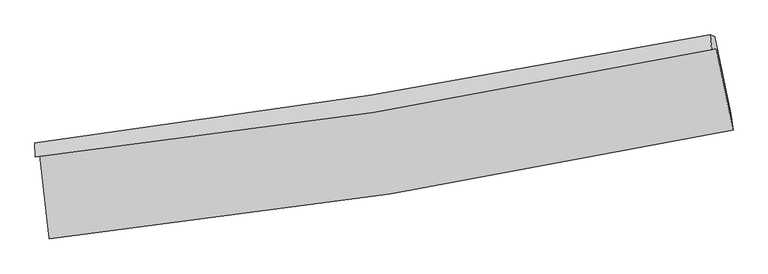
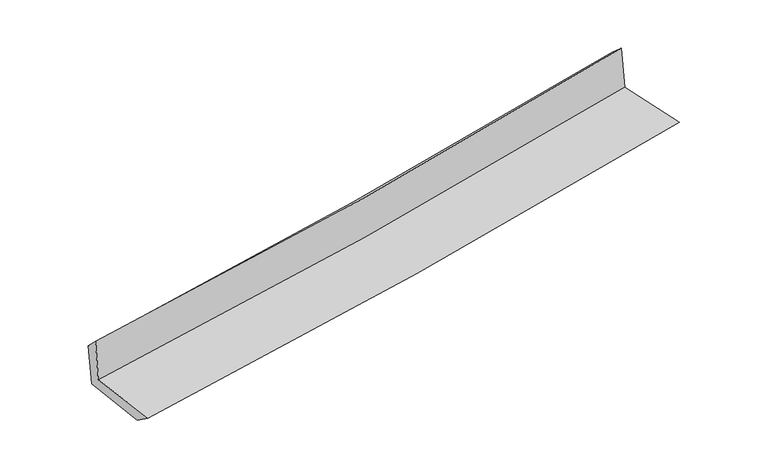
"""IFC4 building model written with IfcOpenShell, lengths in millimetres: proxy geometry."""

import ifcopenshell
import ifcopenshell.guid

model = None  # the IFC model being written
_history = None  # IfcOwnerHistory: only IFC2X3 demands one
_inside = {}  # id of a spatial element -> (the spatial element, [elements in it])
_under = {}  # id of a project, library or spatial element -> (it, [spatial elements below it])
_declared = {}  # id of a project -> (the project, [libraries it declares])
_typed = {}  # id of a type object -> (the type object, [elements of that type])
_made_of = {}  # id of a material, layer set ... -> (it, [elements and type objects made of it])


def new_model(schema):
    """Start an empty IFC model of exactly this schema.

    Asked for "IFC4X3", IfcOpenShell would pick the latest addendum, in which some entities
    have other attributes; the version numbers below select the first issue.
    IFC2X3 requires an IfcOwnerHistory on every rooted entity: one is made here for all.
    """
    global model, _history
    if schema == "IFC4X3":
        model = ifcopenshell.file(schema_version=(4, 3, 0, 0))
    else:
        model = ifcopenshell.file(schema=schema)
    _inside.clear()
    _under.clear()
    _declared.clear()
    _typed.clear()
    _made_of.clear()
    _history = None
    if model.schema == "IFC2X3":
        org = make("IfcOrganization", Name="unknown")
        user = make(
            "IfcPersonAndOrganization",
            ThePerson=make("IfcPerson", FamilyName="unknown"),
            TheOrganization=org,
        )
        app = make(
            "IfcApplication",
            ApplicationDeveloper=org,
            Version="unknown",
            ApplicationFullName="unknown",
            ApplicationIdentifier="unknown",
        )
        _history = make(
            "IfcOwnerHistory",
            OwningUser=user,
            OwningApplication=app,
            ChangeAction="ADDED",
            CreationDate=0,
        )
    return model


def make(cls, **values):
    """One entity of the class cls with the attributes given. An attribute that is None is left unset."""
    return model.create_entity(
        cls, **{name: value for name, value in values.items() if value is not None}
    )


def rooted(cls, **values):
    """An entity with a GlobalId (a new one), such as an element, a storey or a relation."""
    return make(cls, GlobalId=ifcopenshell.guid.new(), OwnerHistory=_history, **values)


def si_unit(unit_type, name, prefix=None):
    """IfcSIUnit, for example si_unit("LENGTHUNIT", "METRE", prefix="MILLI")."""
    return make("IfcSIUnit", UnitType=unit_type, Prefix=prefix, Name=name)


def assignment(units):
    """IfcUnitAssignment: the units of a project."""
    return None if units is None else make("IfcUnitAssignment", Units=units)


def point(xyz):
    """IfcCartesianPoint."""
    return None if xyz is None else make("IfcCartesianPoint", Coordinates=xyz)


def direction(xyz):
    """IfcDirection."""
    return None if xyz is None else make("IfcDirection", DirectionRatios=xyz)


def frame(location, z_axis=None, x_axis=None):
    """IfcAxis2Placement3D, a coordinate frame: its origin and axes. An axis left out is left unset."""
    return make(
        "IfcAxis2Placement3D",
        Location=point(location),
        Axis=direction(z_axis),
        RefDirection=direction(x_axis),
    )


def origin():
    """The frame at (0, 0, 0) with its axes left unset."""
    return frame((0.0, 0.0, 0.0))


def place(relative_to, where):
    """IfcLocalPlacement: puts the frame where relative to a parent placement (None: the world)."""
    return make(
        "IfcLocalPlacement", PlacementRelTo=relative_to, RelativePlacement=where
    )


def context(
    kind, dimensions, precision=None, world=None, true_north=None, identifier=None
):
    """IfcGeometricRepresentationContext, for example the 3D "Model" context."""
    return make(
        "IfcGeometricRepresentationContext",
        ContextIdentifier=identifier,
        ContextType=kind,
        CoordinateSpaceDimension=dimensions,
        Precision=precision,
        WorldCoordinateSystem=world,
        TrueNorth=true_north,
    )


def project(units=None, contexts=None):
    """IfcProject with its units and contexts."""
    return rooted(
        "IfcProject",
        Name="project",
        RepresentationContexts=contexts,
        UnitsInContext=assignment(units),
    )


def spatial(cls, under=None, at=None, **own):
    """A site, building, storey or space (cls), placed at a placement, below another one or the project."""
    s = rooted(cls, ObjectPlacement=at, **own)
    if under is not None:
        _under.setdefault(under.id(), (under, []))[1].append(s)
    return s


def shape(context_of_items, identifier, shape_type, items):
    """IfcShapeRepresentation: the items that make up one representation, for example the "Body"."""
    return make(
        "IfcShapeRepresentation",
        ContextOfItems=context_of_items,
        RepresentationIdentifier=identifier,
        RepresentationType=shape_type,
        Items=items,
    )


def source(mapping_origin, context_of_items, identifier, shape_type, items):
    """IfcRepresentationMap: a shape defined once, which mapped items show again and again."""
    return make(
        "IfcRepresentationMap",
        MappingOrigin=mapping_origin,
        MappedRepresentation=shape(context_of_items, identifier, shape_type, items),
    )


def transform(
    local_origin,
    x_axis=None,
    y_axis=None,
    z_axis=None,
    scale=None,
    scale2=None,
    scale3=None,
    uniform=True,
):
    """IfcCartesianTransformationOperator3D, or its non-uniform kind. x_axis, y_axis, z_axis: its Axis1, 2, 3."""
    if uniform:
        return make(
            "IfcCartesianTransformationOperator3D",
            Axis1=direction(x_axis),
            Axis2=direction(y_axis),
            LocalOrigin=point(local_origin),
            Scale=scale,
            Axis3=direction(z_axis),
        )
    return make(
        "IfcCartesianTransformationOperator3DnonUniform",
        Axis1=direction(x_axis),
        Axis2=direction(y_axis),
        LocalOrigin=point(local_origin),
        Scale=scale,
        Axis3=direction(z_axis),
        Scale2=scale2,
        Scale3=scale3,
    )


def mapped(mapping_source, mapping_target):
    """IfcMappedItem: shows the shape of a source again, moved by a transform."""
    return make(
        "IfcMappedItem", MappingSource=mapping_source, MappingTarget=mapping_target
    )


def made_of(thing, what):
    """Note that an element or type object is made of a material, layer set ...; save() writes the relation."""
    if what is not None:
        _made_of.setdefault(what.id(), (what, []))[1].append(thing)
    return thing


def element(
    cls,
    number,
    at=None,
    inside=None,
    cuts=None,
    type_object=None,
    material=None,
    context=None,
    identifier="Body",
    shape_type=None,
    held_by="IfcProductDefinitionShape",
    body=None,
    shapes=None,
    **own,
):
    """One element of the class cls, such as IfcWall. Its Tag is "e" and its number.

    at: its placement. inside: the storey or other place that contains it. cuts: it is an
    opening in that element (IfcRelVoidsElement). A single representation is given by context,
    identifier, shape_type and body (its items); several are given by shapes. held_by: the class
    of the entity that holds the representations. save() writes the other relations.
    """
    e = rooted(cls, Tag="e%d" % number, ObjectPlacement=at, **own)
    if body is not None:
        shapes = [shape(context, identifier, shape_type, body)]
    if shapes is not None:
        e.Representation = make(held_by, Representations=shapes)
    if inside is not None:
        _inside.setdefault(inside.id(), (inside, []))[1].append(e)
    if cuts is not None:
        rooted(
            "IfcRelVoidsElement", RelatingBuildingElement=cuts, RelatedOpeningElement=e
        )
    if type_object is not None:
        _typed.setdefault(type_object.id(), (type_object, []))[1].append(e)
    return made_of(e, material)


def aggregate(whole, parts):
    """IfcRelAggregates: a whole, such as a stair, and the parts it consists of."""
    return rooted("IfcRelAggregates", RelatingObject=whole, RelatedObjects=parts)


def save(model, path):
    """Write the relations noted so far, then the file.

    IfcRelAggregates (storeys below a building ...), IfcRelContainedInSpatialStructure (elements
    in a storey), IfcRelDefinesByType, IfcRelAssociatesMaterial and IfcRelDeclares: one each for
    every whole, place, type object, material and project.
    """
    for whole, parts in _under.values():
        aggregate(whole, parts)
    for where, things in _inside.values():
        rooted(
            "IfcRelContainedInSpatialStructure",
            RelatedElements=things,
            RelatingStructure=where,
        )
    for kind, things in _typed.values():
        rooted("IfcRelDefinesByType", RelatedObjects=things, RelatingType=kind)
    for what, things in _made_of.values():
        rooted("IfcRelAssociatesMaterial", RelatedObjects=things, RelatingMaterial=what)
    for by, libraries in _declared.values():
        rooted("IfcRelDeclares", RelatingContext=by, RelatedDefinitions=libraries)
    model.write(path)


def plane_surface(at):
    """IfcPlane: the flat surface through the origin of the frame at, square to its z axis."""
    return make("IfcPlane", Position=at)


def spline_curve(degree, points, multiplicities, knots, weights=None):
    """IfcBSplineCurveWithKnots; with weights, IfcRationalBSplineCurveWithKnots."""
    own = dict(
        Degree=degree,
        ControlPointsList=[point(p) for p in points],
        CurveForm="UNSPECIFIED",
        ClosedCurve=False,
        SelfIntersect=False,
        KnotMultiplicities=multiplicities,
        Knots=knots,
        KnotSpec="UNSPECIFIED",
    )
    if weights is None:
        return make("IfcBSplineCurveWithKnots", **own)
    return make("IfcRationalBSplineCurveWithKnots", WeightsData=weights, **own)


def spline_surface(u_degree, v_degree, points, u_multiplicities, v_multiplicities, u_knots, v_knots, weights=None):
    """IfcBSplineSurfaceWithKnots; with weights, IfcRationalBSplineSurfaceWithKnots. points: one row for each step in u."""
    own = dict(
        UDegree=u_degree,
        VDegree=v_degree,
        ControlPointsList=[[point(p) for p in row] for row in points],
        SurfaceForm="UNSPECIFIED",
        UClosed=False,
        VClosed=False,
        SelfIntersect=False,
        UMultiplicities=u_multiplicities,
        VMultiplicities=v_multiplicities,
        UKnots=u_knots,
        VKnots=v_knots,
        KnotSpec="UNSPECIFIED",
    )
    if weights is None:
        return make("IfcBSplineSurfaceWithKnots", **own)
    return make("IfcRationalBSplineSurfaceWithKnots", WeightsData=weights, **own)


def advanced_brep(points, edges, surfaces, faces):
    """IfcAdvancedBrep: a solid bounded by faces that lie on surfaces and meet in shared edges.

    An edge is (start, end): straight between two places in points (the first is 0);
    or (start, end, curve); or (start, end, curve, False) where it runs against its curve.
    A face is (place in surfaces, loops), or (place, loops, False) where it looks against
    its surface's normal. A loop lists edges by number (the first is 1), with a minus sign
    where the edge is run from its end to its start. The first loop is the outer one.
    """
    corners = [point(p) for p in points]
    vertices = [make("IfcVertexPoint", VertexGeometry=c) for c in corners]
    made = []
    for start, end, *more in edges:
        made.append(
            make(
                "IfcEdgeCurve",
                EdgeStart=vertices[start],
                EdgeEnd=vertices[end],
                EdgeGeometry=more[0] if more else make("IfcPolyline", Points=[corners[start], corners[end]]),
                SameSense=more[1] if len(more) > 1 else True,
            )
        )
    hull = []
    for where, loops, *sense in faces:
        bounds = []
        for j, loop in enumerate(loops):
            ring = [make("IfcOrientedEdge", EdgeElement=made[abs(k) - 1], Orientation=k > 0) for k in loop]
            bounds.append(
                make(
                    "IfcFaceOuterBound" if j == 0 else "IfcFaceBound",
                    Bound=make("IfcEdgeLoop", EdgeList=ring),
                    Orientation=True,
                )
            )
        hull.append(make("IfcAdvancedFace", Bounds=bounds, FaceSurface=surfaces[where], SameSense=sense[0] if sense else True))
    return make("IfcAdvancedBrep", Outer=make("IfcClosedShell", CfsFaces=hull))


def generic_models_4b9fc950(model_context):
    return source(origin(), model_context, "Body", "AdvancedBrep", [
        advanced_brep(
        [(-2783.9384804, -1893.7347927, 1631.8338925), (-2706.7777165, -2580.4104655, 1634.5746037), (2872.9132504, -1691.1217193, 2127.1447449), (2735.8087331, -1025.0903346, 2123.4022488), (-2820.028636, -1910.5899347, 2045.7362512), (2699.7292791, -1035.2805256, 2533.9636372), (-2822.2226651, -1796.644314, 1929.6874518), (2684.5780549, -913.269393, 2426.1268566), (-2786.1967207, -1793.1999599, 1532.9563432), (2724.776738, -929.3844794, 2029.6464104), (-2714.4258918, -2418.1553149, 1518.612698), (2854.6119213, -1557.3122241, 2026.9983627)],
        [
            (0, 1),
            (1, 2, spline_curve(3, [(-2706.7777165, -2580.4104655, 1634.5746037), (-1776.120429329, -2481.461891151, 1728.518416182), (-848.568731366, -2358.465765642, 1816.330065749), (1011.403145787, -2062.616066439, 1980.667984156), (1943.748436837, -1889.182609937, 2057.046381213), (2872.9132504, -1691.1217193, 2127.1447449)], [4, 2, 4], [0.0, 9.200983055696828, 18.512241611248882])),
            (2, 3),
            (3, 0, spline_curve(3, [(2735.8087331, -1025.0903346, 2123.4022488), (1817.088018708, -1215.04032044, 2045.011172716), (894.988673455, -1382.701567974, 1964.595598332), (-945.006618476, -1671.724905235, 1800.691810503), (-1862.823010754, -1793.611810087, 1717.251265929), (-2783.9384804, -1893.7347927, 1631.8338925)], [4, 2, 4], [0.0, 9.311258555552055, 18.512241611248882])),
            (4, 0),
            (3, 5),
            (5, 4, spline_curve(3, [(2699.7292791, -1035.2805256, 2533.9636372), (1781.868415654, -1231.832755586, 2457.211861413), (860.195532364, -1403.337510485, 2377.892795563), (-979.813531349, -1694.517539735, 2215.089883866), (-1898.059953128, -1814.782588344, 2131.666487434), (-2820.028636, -1910.5899347, 2045.7362512)], [4, 2, 4], [0.0, 9.260513648711456, 18.411352781842105])),
            (6, 4),
            (5, 7),
            (7, 6, spline_curve(3, [(2684.5780549, -913.269393, 2426.1268566), (1766.79984342, -1094.41879672, 2344.637937533), (846.26070853, -1258.948172183, 2262.271897303), (-989.404540765, -1553.015140242, 2096.771442908), (-1904.465646056, -1682.944071723, 2013.657681566), (-2822.2226651, -1796.644314, 1929.6874518)], [4, 2, 4], [0.0, 9.251457900745843, 18.39334853533667])),
            (8, 6),
            (7, 9),
            (9, 8, spline_curve(3, [(2724.776738, -929.3844794, 2029.6464104), (1807.047188153, -1113.977509264, 1948.05331437), (886.180355637, -1278.569010892, 1865.614357454), (-950.884668161, -1566.036543882, 1700.031084897), (-1867.008988682, -1689.383535546, 1616.906685862), (-2786.1967207, -1793.1999599, 1532.9563432)], [4, 2, 4], [0.0, 9.242830475477344, 18.37619586149558])),
            (10, 8),
            (9, 11),
            (11, 10, spline_curve(3, [(2854.6119213, -1557.3122241, 2026.9983627), (1927.750304143, -1747.883045067, 1940.776756591), (997.448122506, -1915.194978918, 1855.051051166), (-858.978827249, -2201.595016614, 1685.600839539), (-1785.022583402, -2321.230779797, 1601.864656475), (-2714.4258918, -2418.1553149, 1518.612698)], [4, 2, 4], [0.0, 9.292167284157555, 18.474285171030587])),
            (1, 10),
            (11, 2),
        ],
        [
            spline_surface(3, 3, [[(-2783.9384804, -1893.7347927, 1631.8338925), (-1862.823010904, -1793.611810175, 1717.251266012), (-945.006618429, -1671.724905152, 1800.691810391), (894.988673407, -1382.701568058, 1964.595598445), (1817.088018765, -1215.040320412, 2045.011172849), (2735.8087331, -1025.0903346, 2123.4022488)], [(-2758.218225764, -2122.626683635, 1632.747462881), (-1833.922150402, -2022.895170462, 1721.006982696), (-912.860656083, -1900.638525285, 1805.904562229), (933.793497539, -1609.339734228, 1969.953060317), (1859.308158099, -1439.754416954, 2049.022909006), (2781.510238868, -1247.100796187, 2124.649747498)], [(-2732.497971136, -2351.518574565, 1633.661033319), (-1805.021289906, -2252.178530743, 1724.762699435), (-880.714693733, -2129.5521454, 1811.117314036), (972.598321676, -1835.97790038, 1975.310522158), (1901.528297428, -1664.468513435, 2053.034645168), (2827.211744632, -1469.111257713, 2125.897246202)], [(-2706.7777165, -2580.4104655, 1634.5746037), (-1776.120429403, -2481.46189103, 1728.518416119), (-848.568731388, -2358.465765532, 1816.330065874), (1011.403145809, -2062.61606655, 1980.66798403), (1943.748436761, -1889.182609976, 2057.046381325), (2872.9132504, -1691.1217193, 2127.1447449)]], [4, 4], [4, 2, 4], [0.0, 2.2694405704641474], [0.0, 9.200983055696828, 18.512241611248882]),
            spline_surface(3, 3, [[(-2820.028636, -1910.5899347, 2045.7362512), (-1898.059953067, -1814.782588232, 2131.666487522), (-979.813531343, -1694.517539885, 2215.089883734), (860.195532359, -1403.337510333, 2377.892795697), (1781.868415681, -1231.832755615, 2457.211861537), (2699.7292791, -1035.2805256, 2533.9636372)], [(-2807.998584135, -1904.971554044, 1907.768798302), (-1886.314305681, -1807.725662223, 1993.528080354), (-968.211227016, -1686.919994972, 2076.957192621), (871.793246064, -1396.458862906, 2240.127063282), (1793.60828338, -1226.235277193, 2319.811631994), (2711.755763771, -1031.883795245, 2397.109841086)], [(-2795.968532265, -1899.353173356, 1769.801345398), (-1874.56865829, -1800.668736184, 1855.389673181), (-956.608922757, -1679.322450065, 1938.824501504), (883.390959701, -1389.580215485, 2102.361330861), (1805.348151065, -1220.637798835, 2182.411402392), (2723.782248429, -1028.487064955, 2260.256044914)], [(-2783.9384804, -1893.7347927, 1631.8338925), (-1862.823010904, -1793.611810175, 1717.251266012), (-945.006618429, -1671.724905152, 1800.691810391), (894.988673407, -1382.701568058, 1964.595598445), (1817.088018765, -1215.040320412, 2045.011172849), (2735.8087331, -1025.0903346, 2123.4022488)]], [4, 4], [4, 2, 4], [0.0, 1.3643970198511284], [0.0, 9.15083913313065, 18.411352781842105]),
            spline_surface(3, 3, [[(-2822.2226651, -1796.644314, 1929.6874518), (-1904.465645955, -1682.944071812, 2013.657681548), (-989.404540776, -1553.015140266, 2096.771442862), (846.26070854, -1258.948172159, 2262.27189735), (1766.799843369, -1094.418796736, 2344.637937654), (2684.5780549, -913.269393, 2426.1268566)], [(-2821.491322075, -1834.626187553, 1968.370384929), (-1902.330415001, -1726.890243938, 2052.993950201), (-986.207537628, -1600.182606792, 2136.210923148), (850.905649816, -1307.077951537, 2300.812196795), (1771.822700796, -1140.223449713, 2382.162578926), (2689.628462956, -953.939770551, 2462.072450111)], [(-2820.759979025, -1872.608061147, 2007.053318071), (-1900.195184022, -1770.836416106, 2092.330218869), (-983.010534491, -1647.350073358, 2175.650403447), (855.550591083, -1355.207730955, 2339.352496252), (1776.845558254, -1186.028102638, 2419.687220265), (2694.678871044, -994.610148049, 2498.018043689)], [(-2820.028636, -1910.5899347, 2045.7362512), (-1898.059953067, -1814.782588232, 2131.666487522), (-979.813531343, -1694.517539885, 2215.089883734), (860.195532359, -1403.337510333, 2377.892795697), (1781.868415681, -1231.832755615, 2457.211861537), (2699.7292791, -1035.2805256, 2533.9636372)]], [4, 4], [4, 2, 4], [0.0, 0.6072236487276814], [0.0, 9.141890634590828, 18.39334853533667]),
            spline_surface(3, 3, [[(-2786.1967207, -1793.1999599, 1532.9563432), (-1867.00898882, -1689.383535689, 1616.90668594), (-950.884668286, -1566.036543908, 1700.031084894), (886.180355763, -1278.569010865, 1865.614357456), (1807.047188142, -1113.977509154, 1948.053314226), (2724.776738, -929.3844794, 2029.6464104)], [(-2798.205368818, -1794.348077937, 1665.200046081), (-1879.494541183, -1687.237047734, 1749.157017824), (-963.724625807, -1561.696076047, 1832.277870885), (872.873806664, -1272.028731316, 1997.833537422), (1793.631406569, -1107.457938341, 2080.248188703), (2711.377176984, -924.012783926, 2161.806559135)], [(-2810.214016982, -1795.496195963, 1797.443748919), (-1891.980093592, -1685.090559767, 1881.407349665), (-976.564583255, -1557.355608127, 1964.524656871), (859.567257639, -1265.488451708, 2130.052717384), (1780.215624942, -1100.938367549, 2212.443063176), (2697.977615916, -918.641088474, 2293.966707865)], [(-2822.2226651, -1796.644314, 1929.6874518), (-1904.465645955, -1682.944071812, 2013.657681548), (-989.404540776, -1553.015140266, 2096.771442862), (846.26070854, -1258.948172159, 2262.27189735), (1766.799843369, -1094.418796736, 2344.637937654), (2684.5780549, -913.269393, 2426.1268566)]], [4, 4], [4, 2, 4], [0.0, 1.3089529672941462], [0.0, 9.133365386018237, 18.37619586149558]),
            spline_surface(3, 3, [[(-2714.4258918, -2418.1553149, 1518.612698), (-1785.022583469, -2321.230779948, 1601.864656622), (-858.978827375, -2201.595016752, 1685.600839527), (997.448122633, -1915.194978778, 1855.051051178), (1927.750304232, -1747.883045059, 1940.776756485), (2854.6119213, -1557.3122241, 2026.9983627)], [(-2738.349501436, -2209.836863243, 1523.393913073), (-1812.351385255, -2110.615031871, 1606.878666402), (-889.614107651, -1989.742192456, 1690.410921314), (960.358867038, -1702.986322793, 1858.57215327), (1887.51593219, -1536.581199771, 1943.202275732), (2811.333526855, -1348.002975881, 2027.881045267)], [(-2762.273111064, -2001.518411557, 1528.175128127), (-1839.680187034, -1899.999283766, 1611.892676161), (-920.24938801, -1777.889368204, 1695.221003106), (923.269611359, -1490.777666851, 1862.093255365), (1847.281560184, -1325.279354442, 1945.627794979), (2768.055132445, -1138.693727619, 2028.763727833)], [(-2786.1967207, -1793.1999599, 1532.9563432), (-1867.00898882, -1689.383535689, 1616.90668594), (-950.884668286, -1566.036543908, 1700.031084894), (886.180355763, -1278.569010865, 1865.614357456), (1807.047188142, -1113.977509154, 1948.053314226), (2724.776738, -929.3844794, 2029.6464104)]], [4, 4], [4, 2, 4], [0.0, 2.1138384899777916], [0.0, 9.182117886873032, 18.474285171030587]),
            spline_surface(3, 3, [[(-2706.7777165, -2580.4104655, 1634.5746037), (-1776.120429403, -2481.46189103, 1728.518416119), (-848.568731388, -2358.465765532, 1816.330065874), (1011.403145809, -2062.61606655, 1980.66798403), (1943.748436761, -1889.182609976, 2057.046381325), (2872.9132504, -1691.1217193, 2127.1447449)], [(-2709.327108272, -2526.325415289, 1595.920635134), (-1779.087814097, -2428.051520658, 1686.300496288), (-852.038763412, -2306.175515943, 1772.753657084), (1006.751471389, -2013.475703964, 1938.795673072), (1938.415725917, -1842.082754981, 2018.289839715), (2866.812807365, -1646.518554211, 2093.762617503)], [(-2711.876500028, -2472.240365111, 1557.266666566), (-1782.055198775, -2374.64115032, 1644.082576454), (-855.508795351, -2253.885266341, 1729.177248316), (1002.099797053, -1964.335341365, 1896.923362136), (1933.083015077, -1794.982900054, 1979.533298095), (2860.712364335, -1601.915389189, 2060.380490097)], [(-2714.4258918, -2418.1553149, 1518.612698), (-1785.022583469, -2321.230779948, 1601.864656622), (-858.978827375, -2201.595016752, 1685.600839527), (997.448122633, -1915.194978778, 1855.051051178), (1927.750304232, -1747.883045059, 1940.776756485), (2854.6119213, -1557.3122241, 2026.9983627)]], [4, 4], [4, 2, 4], [0.0, 0.6537067636804568], [0.0, 9.240814645272478, 18.592382179438275]),
            plane_surface(frame((2762.0696628, -1191.9097793, 2211.2137101), z_axis=(0.9753243519751917, 0.20128306791163364, 0.09070576065638479), x_axis=(-0.10078930339823493, 0.04040501358653115, 0.9940869937774918))),
            plane_surface(frame((-2772.2650184, -2065.455797, 1715.5668734), z_axis=(-0.9895977046693915, -0.11156221080961333, -0.0908309200236542), x_axis=(-0.11166491884357392, 0.9937380009404273, -0.003966281203044342))),
        ],
        [
            (0, [[1, 2, 3, 4]]),
            (1, [[5, -4, 6, 7]]),
            (2, [[8, -7, 9, 10]]),
            (3, [[11, -10, 12, 13]]),
            (4, [[14, -13, 15, 16]]),
            (5, [[17, -16, 18, -2]]),
            (6, [[-12, -9, -6, -3, -18, -15]]),
            (7, [[-1, -5, -8, -11, -14, -17]]),
        ],
    ),
    ])


if __name__ == "__main__":
    model = new_model("IFC4")
    model_context = context("Model", 3, world=origin())
    ifc_project = project(units=[si_unit("LENGTHUNIT", "METRE", prefix="MILLI")], contexts=[model_context])
    site = spatial("IfcSite", under=ifc_project)
    building = spatial("IfcBuilding", under=site)
    placement = place(None, origin())
    generic_models_shape = generic_models_4b9fc950(model_context)
    element("IfcBuildingElementProxy", 1, Name="Generic Models", at=placement, inside=building, context=model_context, shape_type="MappedRepresentation", body=[
        mapped(generic_models_shape, transform((0.0, 0.0, 0.0), x_axis=(1.0, 0.0, 0.0), y_axis=(0.0, 1.0, 0.0), z_axis=(0.0, 0.0, 1.0))),
    ])
    save(model, "model.ifc")
